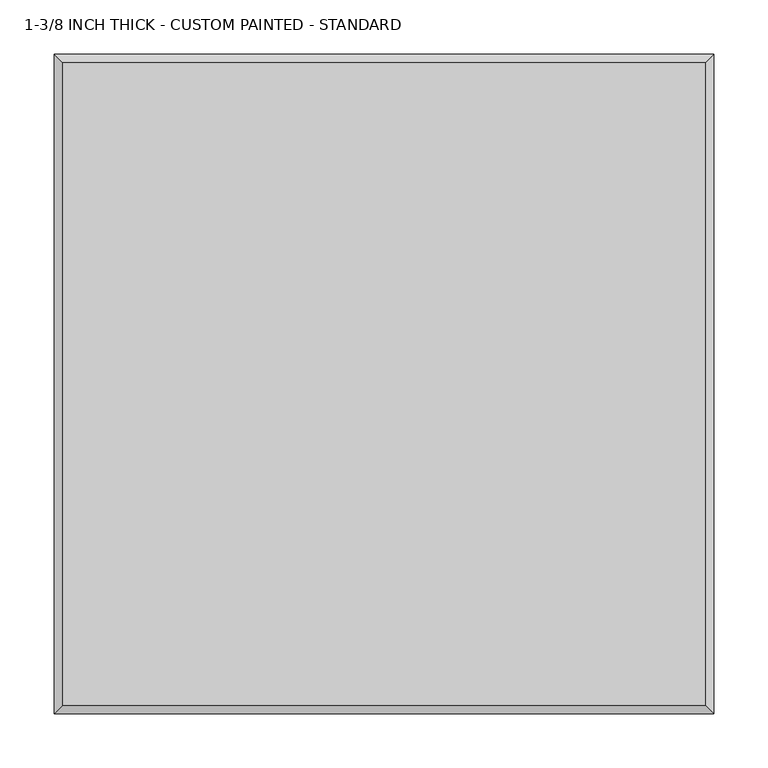
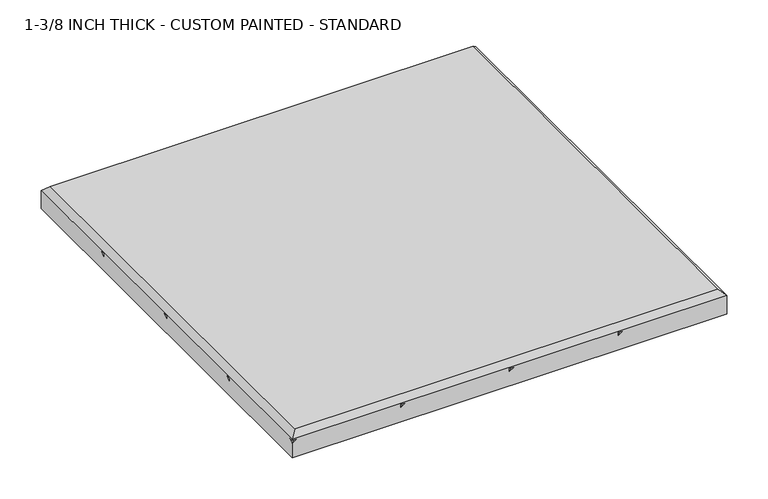
"""IFC4 building model written with IfcOpenShell, lengths in millimetres: proxy geometry, 1-3/8 INCH THICK - CUSTOM PAINTED - STANDARD."""

from ifc_helpers import new_model, si_unit, origin, place, context, project, spatial, faceted_brep, source, transform, mapped, element, save


def proxy_1_3_8_inch_thick_custom_painted_standard_6688d9de(model_context):
    return source(origin(), model_context, "Body", "Brep", [
        faceted_brep([(296.799, 296.799, 34.925), (-296.799, 296.799, 34.925), (-296.799, -296.799, 34.925), (296.799, -296.799, 34.925), (-304.8, 304.8, 0.0), (304.8, 304.8, 0.0), (304.8, -304.8, 0.0), (-304.8, -304.8, 0.0), (-304.8, -304.8, 21.3995359), (-304.8, -299.1424894, 25.4), (-304.8, -304.8, 25.4), (-304.8, -304.8, 26.924), (-304.8, 304.8, 26.924), (-304.8, -152.3999238, 21.3996078), (-304.8, -146.7425148, 25.4), (-304.8, -152.3999238, 25.4), (-304.8, 7.62e-05, 21.3996078), (-304.8, 5.6574852, 25.4), (-304.8, 7.62e-05, 25.4), (-304.8, 152.4000762, 21.3996078), (-304.8, 158.0574852, 25.4), (-304.8, 152.4000762, 25.4), (304.8, -304.8, 26.924), (-299.1423878, -304.8, 25.4), (-146.7424132, -304.8, 25.4), (-152.3999577, -304.8, 21.399512), (-152.3999238, -304.8, 25.4), (5.6575868, -304.8, 25.4), (4.23e-05, -304.8, 21.399512), (7.62e-05, -304.8, 25.4), (158.0575868, -304.8, 25.4), (152.4000423, -304.8, 21.399512), (152.4000762, -304.8, 25.4), (304.8, 304.8, 21.3995359), (304.8, 299.1423878, 25.4), (304.8, 304.8, 25.4), (304.8, 304.8, 26.924), (304.8, 152.4000762, 25.4), (304.8, 152.4000762, 21.3995), (304.8, 146.7424132, 25.4), (304.8, 7.62e-05, 25.4), (304.8, 7.62e-05, 21.3995), (304.8, -5.6575868, 25.4), (304.8, -152.3999238, 25.4), (304.8, -152.3999238, 21.3995), (304.8, -158.0575868, 25.4), (299.1424894, 304.8, 25.4), (152.4000762, 304.8, 21.3995), (152.4000762, 304.8, 25.4), (146.7425148, 304.8, 25.4), (7.62e-05, 304.8, 21.3995), (7.62e-05, 304.8, 25.4), (-5.6574852, 304.8, 25.4), (-152.3999238, 304.8, 21.3995), (-152.3999238, 304.8, 25.4), (-158.0574852, 304.8, 25.4), (301.9712701, 155.2288061, 25.4), (-155.2287299, -301.9711939, 25.4), (301.9712701, 2.8288061, 25.4), (-2.8287299, -301.9711939, 25.4), (301.9712701, -149.5711939, 25.4), (149.5712701, -301.9711939, 25.4), (155.2288569, 301.9712193, 25.4), (-301.9711431, -155.2287807, 25.4), (2.8288569, 301.9712193, 25.4), (-301.9711431, -2.8287807, 25.4), (-149.5711431, 301.9712193, 25.4), (-301.9711431, 149.5712193, 25.4)], [[[0, 1, 2, 3]], [[4, 5, 6, 7]], [[4, 7, 8, 9, 10, 11, 12], [13, 14, 15], [16, 17, 18], [19, 20, 21]], [[7, 6, 22, 11, 10, 23, 8], [24, 25, 26], [27, 28, 29], [30, 31, 32]], [[6, 5, 33, 34, 35, 36, 22], [37, 38, 39], [40, 41, 42], [43, 44, 45]], [[5, 4, 12, 36, 35, 46, 33], [47, 48, 49], [50, 51, 52], [53, 54, 55]], [[12, 1, 0, 36]], [[1, 12, 11, 2]], [[2, 11, 22, 3]], [[36, 0, 3, 22]], [[8, 33, 46, 9]], [[33, 8, 23, 34]], [[38, 56, 57, 25]], [[38, 25, 24, 39]], [[41, 58, 59, 28]], [[41, 28, 27, 42]], [[44, 60, 61, 31]], [[44, 31, 30, 45]], [[62, 47, 13, 63]], [[13, 47, 49, 14]], [[64, 50, 16, 65]], [[16, 50, 52, 17]], [[66, 53, 19, 67]], [[19, 53, 55, 20]], [[34, 23, 10, 9, 46, 35]], [[56, 38, 37]], [[57, 56, 37, 39, 24, 26]], [[25, 57, 26]], [[58, 41, 40]], [[59, 58, 40, 42, 27, 29]], [[28, 59, 29]], [[60, 44, 43]], [[61, 60, 43, 45, 30, 32]], [[31, 61, 32]], [[47, 62, 48]], [[62, 63, 15, 14, 49, 48]], [[63, 13, 15]], [[50, 64, 51]], [[64, 65, 18, 17, 52, 51]], [[65, 16, 18]], [[53, 66, 54]], [[66, 67, 21, 20, 55, 54]], [[67, 19, 21]]]),
    ])


if __name__ == "__main__":
    model = new_model("IFC4")
    model_context = context("Model", 3, world=origin())
    ifc_project = project(units=[si_unit("LENGTHUNIT", "METRE", prefix="MILLI")], contexts=[model_context])
    site = spatial("IfcSite", under=ifc_project)
    building = spatial("IfcBuilding", under=site)
    placement = place(None, origin())
    proxy_1_3_8_inch_thick_custom_painted_standard_shape = proxy_1_3_8_inch_thick_custom_painted_standard_6688d9de(model_context)
    element("IfcBuildingElementProxy", 1, Name="1-3/8 INCH THICK - CUSTOM PAINTED - STANDARD", ObjectType="1-3/8 INCH THICK - CUSTOM PAINTED - STANDARD", at=placement, inside=building, context=model_context, shape_type="MappedRepresentation", body=[
        mapped(proxy_1_3_8_inch_thick_custom_painted_standard_shape, transform((0.0, 0.0, 0.0), x_axis=(1.0, 0.0, 0.0), y_axis=(0.0, 1.0, 0.0), z_axis=(0.0, 0.0, 1.0))),
    ])
    save(model, "model.ifc")
